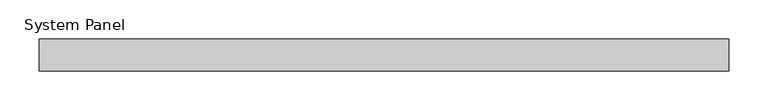
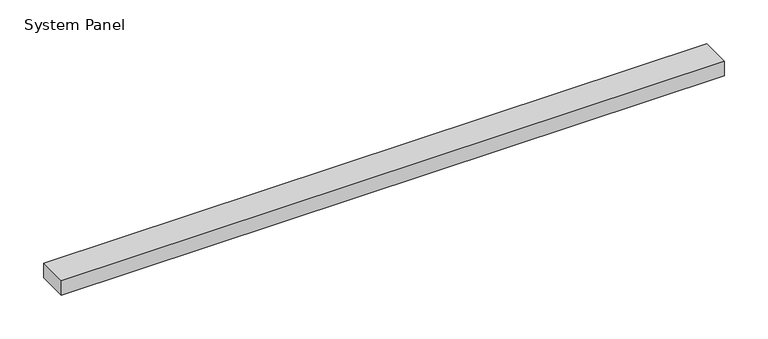
"""IFC4 building model written with IfcOpenShell, lengths in millimetres: plate geometry, System Panel."""

from ifc_helpers import new_model, si_unit, origin, origin_with_axes, place, context, project, spatial, polyline, outline, extrude, source, transform, mapped, element, save


def system_panel_7ba7812f(model_context):
    return source(origin(), model_context, "Body", "SweptSolid", [
        extrude(outline(polyline([(436.6666667, 14.0), (-436.6666667, 14.0), (-436.6666667, 54.0), (436.6666667, 54.0), (436.6666667, 14.0)])), origin_with_axes(), (0.0, 0.0, 1.0), 20.0),
    ])


if __name__ == "__main__":
    model = new_model("IFC4")
    model_context = context("Model", 3, world=origin())
    ifc_project = project(units=[si_unit("LENGTHUNIT", "METRE", prefix="MILLI")], contexts=[model_context])
    site = spatial("IfcSite", under=ifc_project)
    building = spatial("IfcBuilding", under=site)
    placement = place(None, origin())
    system_panel_shape = system_panel_7ba7812f(model_context)
    element("IfcPlate", 1, ObjectType="System Panel", at=placement, inside=building, context=model_context, shape_type="MappedRepresentation", body=[
        mapped(system_panel_shape, transform((0.0, 0.0, 0.0), x_axis=(1.0, 0.0, 0.0), y_axis=(0.0, 1.0, 0.0), z_axis=(0.0, 0.0, 1.0))),
    ])
    save(model, "model.ifc")
